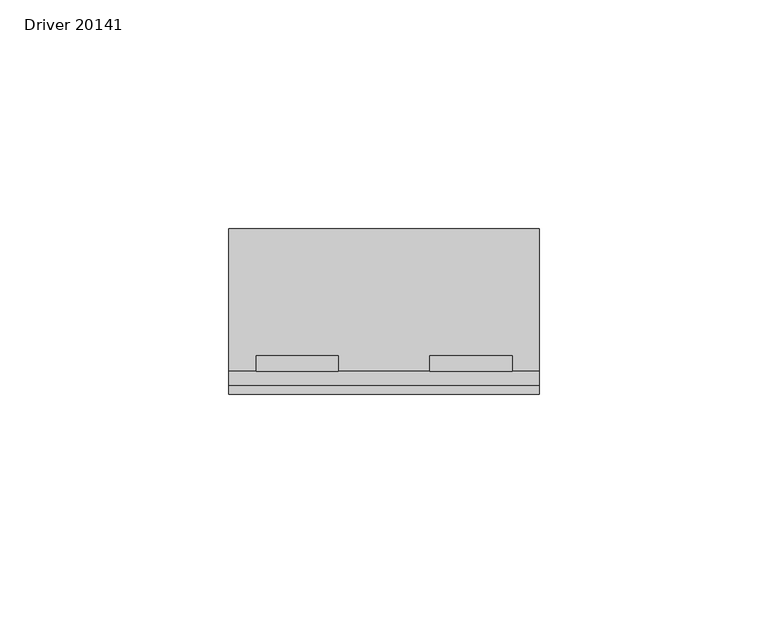
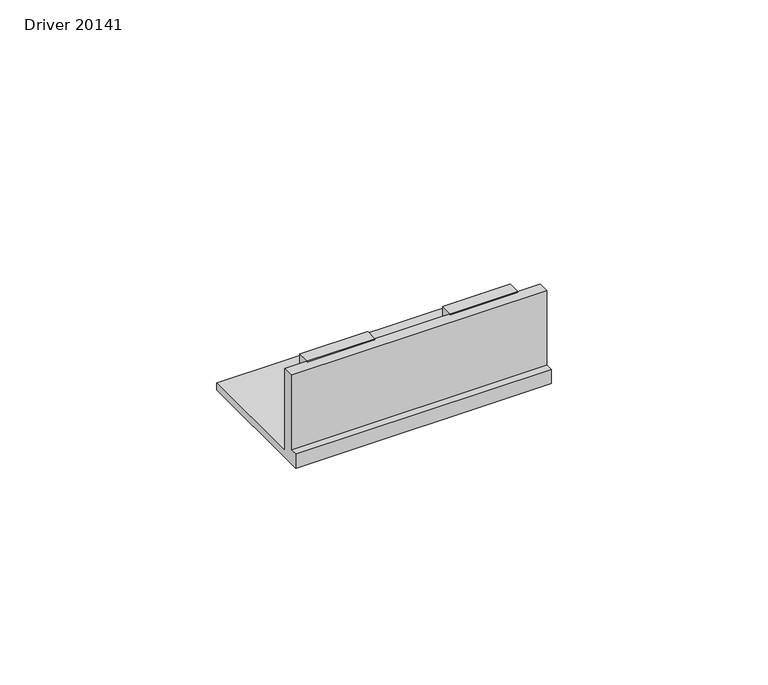
"""IFC4 building model written with IfcOpenShell, lengths in millimetres: proxy geometry, Driver 20141."""

from ifc_helpers import new_model, si_unit, frame, origin, place, context, project, spatial, polyline, outline, extrude, source, transform, mapped, element, save


def driver_20141_6b3671e4(model_context):
    return source(origin(), model_context, "Body", "SweptSolid", [
        extrude(outline(polyline([(-27.25, -14.0), (-45.25, -14.0), (-45.25, -10.5982841), (-27.25, -10.5982841), (-27.25, -14.0)])), frame((0.0, 0.0, 2.0), z_axis=(0.0, 0.0, 1.0), x_axis=(1.0, 0.0, 0.0)), (0.0, 0.0, 1.0), 23.0),
        extrude(outline(polyline([(10.75, -14.0), (-7.25, -14.0), (-7.25, -10.5982841), (10.75, -10.5982841), (10.75, -14.0)])), frame((0.0, 0.0, 2.0), z_axis=(0.0, 0.0, 1.0), x_axis=(1.0, 0.0, 0.0)), (0.0, 0.0, 1.0), 23.0),
        extrude(outline(polyline([(-14.0, 2.0), (17.245224, 2.0), (17.245224, 0.0), (-17.0, 0.0), (-19.0, 0.0), (-19.0, 3.9847617), (-17.0, 3.9847617), (-17.0, 25.0), (-14.0, 25.0), (-14.0, 2.0)])), frame((-51.25, 0.0, 0.0), z_axis=(1.0, 0.0, 0.0), x_axis=(0.0, 1.0, 0.0)), (0.0, 0.0, 1.0), 68.0),
    ])


if __name__ == "__main__":
    model = new_model("IFC4")
    model_context = context("Model", 3, world=origin())
    ifc_project = project(units=[si_unit("LENGTHUNIT", "METRE", prefix="MILLI")], contexts=[model_context])
    site = spatial("IfcSite", under=ifc_project)
    building = spatial("IfcBuilding", under=site)
    placement = place(None, origin())
    driver_20141_shape = driver_20141_6b3671e4(model_context)
    element("IfcBuildingElementProxy", 1, Name="Driver 20141", ObjectType="Driver 20141", at=placement, inside=building, context=model_context, shape_type="MappedRepresentation", body=[
        mapped(driver_20141_shape, transform((0.0, 0.0, 0.0), x_axis=(1.0, 0.0, 0.0), y_axis=(0.0, 1.0, 0.0), z_axis=(0.0, 0.0, 1.0))),
    ])
    save(model, "model.ifc")
